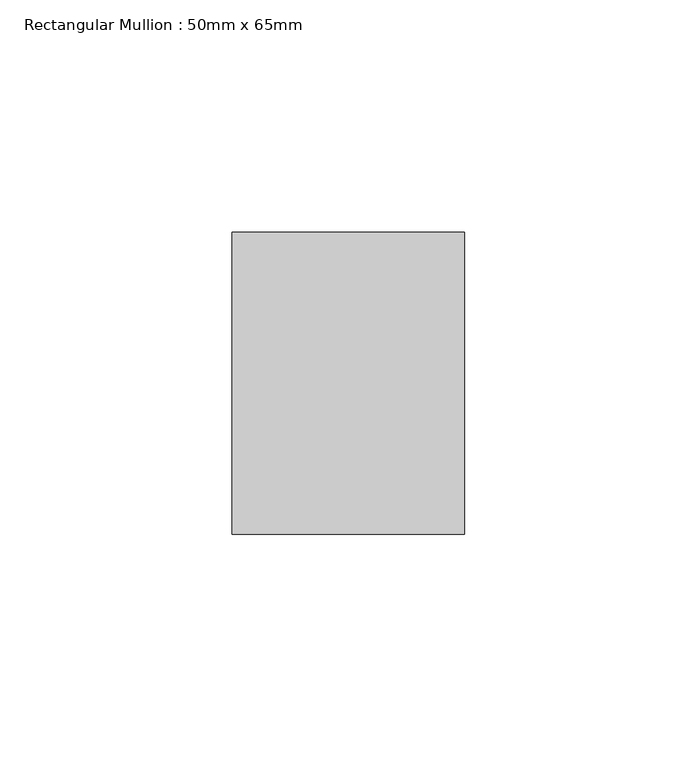
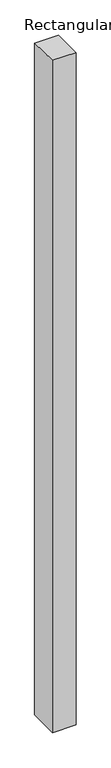
"""IFC4 building model written with IfcOpenShell, lengths in millimetres: member geometry, Rectangular Mullion : 50mm x 65mm."""

from ifc_helpers import new_model, si_unit, origin, place, context, project, spatial, faceted_brep, source, transform, mapped, element, save


def rectangular_mullion_50mm_x_65mm_acf52a45(model_context):
    return source(origin(), model_context, "Body", "Brep", [
        faceted_brep([(-25.0, 32.5, -0.3536698), (25.0, 32.5, -0.3536702), (25.0, 32.5, -1499.5483282), (-25.0, 32.5, -1499.5483287), (-25.0, -32.5, 0.3536702), (-25.0, -32.5, -1500.4519574), (25.0, -32.5, 0.3536698), (25.0, -32.5, -1500.4519569)], [[[0, 1, 2, 3]], [[4, 0, 3, 5]], [[6, 4, 5, 7]], [[1, 6, 7, 2]], [[1, 0, 4, 6]], [[2, 7, 5, 3]]]),
    ])


if __name__ == "__main__":
    model = new_model("IFC4")
    model_context = context("Model", 3, world=origin())
    ifc_project = project(units=[si_unit("LENGTHUNIT", "METRE", prefix="MILLI")], contexts=[model_context])
    site = spatial("IfcSite", under=ifc_project)
    building = spatial("IfcBuilding", under=site)
    placement = place(None, origin())
    rectangular_mullion_50mm_x_65mm_shape = rectangular_mullion_50mm_x_65mm_acf52a45(model_context)
    element("IfcMember", 1, ObjectType="Rectangular Mullion : 50mm x 65mm", at=placement, inside=building, context=model_context, shape_type="MappedRepresentation", body=[
        mapped(rectangular_mullion_50mm_x_65mm_shape, transform((0.0, 0.0, 0.0), x_axis=(1.0, 0.0, 0.0), y_axis=(0.0, 1.0, 0.0), z_axis=(0.0, 0.0, 1.0))),
    ])
    save(model, "model.ifc")
